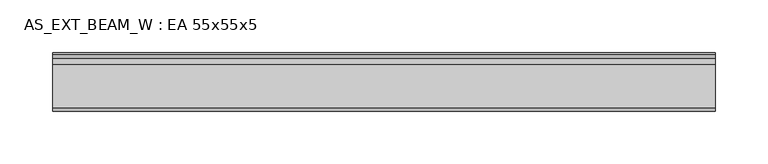
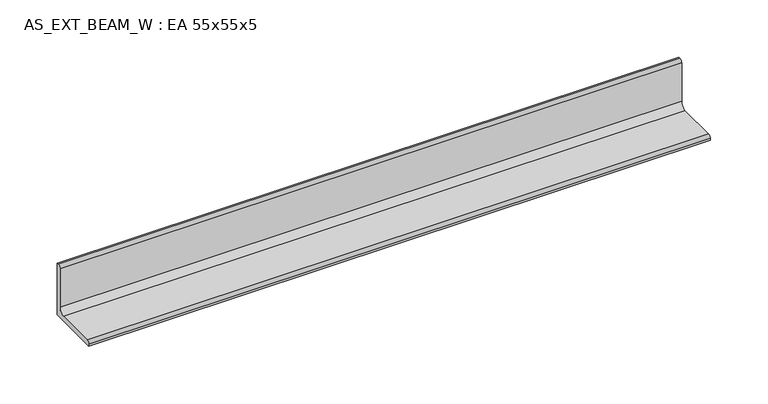
"""IFC4 building model written with IfcOpenShell, lengths in millimetres: beam geometry, AS_EXT_BEAM_W : EA 55x55x5."""

from ifc_helpers import new_model, si_unit, point, frame, frame_2d, origin, place, context, project, spatial, polyline, circle_curve, trimmed, segment, composite_curve, outline, extrude, source, transform, mapped, element, save


def as_ext_beam_w_ea_55x55x5_4c3d083b(model_context):
    return source(origin(), model_context, "Body", "SweptSolid", [
        extrude(outline(composite_curve([segment(polyline([(15.2, -15.2), (-39.8, -15.2), (-39.8, -13.2)]), True, "CONTINUOUS"), segment(trimmed(circle_curve(frame_2d((-36.8, -13.2)), 3.0), [point((-39.8, -13.2))], [point((-36.8, -10.2))], False, "CARTESIAN"), True, "CONTINUOUS"), segment(polyline([(-36.8, -10.2), (4.2, -10.2)]), True, "CONTINUOUS"), segment(trimmed(circle_curve(frame_2d((4.2, -4.2)), 6.0), [point((4.2, -10.2))], [point((10.2, -4.2))], True, "CARTESIAN"), True, "CONTINUOUS"), segment(polyline([(10.2, -4.2), (10.2, 36.8)]), True, "CONTINUOUS"), segment(trimmed(circle_curve(frame_2d((13.2, 36.8)), 3.0), [point((10.2, 36.8))], [point((13.2, 39.8))], False, "CARTESIAN"), True, "CONTINUOUS"), segment(polyline([(13.2, 39.8), (15.2, 39.8), (15.2, -15.2)]), True, "CONTINUOUS")], self_intersect=False)), frame((-313.2, 0.0, 0.0), z_axis=(1.0, 0.0, 0.0), x_axis=(0.0, 1.0, 0.0)), (0.0, 0.0, 1.0), 626.4),
    ])


if __name__ == "__main__":
    model = new_model("IFC4")
    model_context = context("Model", 3, world=origin())
    ifc_project = project(units=[si_unit("LENGTHUNIT", "METRE", prefix="MILLI")], contexts=[model_context])
    site = spatial("IfcSite", under=ifc_project)
    building = spatial("IfcBuilding", under=site)
    placement = place(None, origin())
    as_ext_beam_w_ea_55x55x5_shape = as_ext_beam_w_ea_55x55x5_4c3d083b(model_context)
    element("IfcBeam", 1, ObjectType="AS_EXT_BEAM_W : EA 55x55x5", at=placement, inside=building, context=model_context, shape_type="MappedRepresentation", body=[
        mapped(as_ext_beam_w_ea_55x55x5_shape, transform((0.0, 0.0, 0.0), x_axis=(1.0, 0.0, 0.0), y_axis=(0.0, 1.0, 0.0), z_axis=(0.0, 0.0, 1.0))),
    ])
    save(model, "model.ifc")
